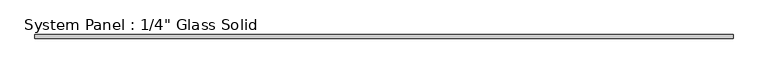
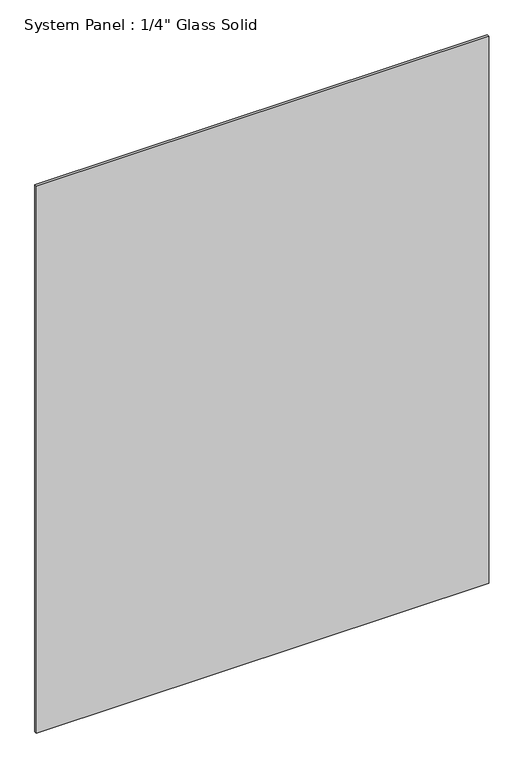
"""IFC4 building model written with IfcOpenShell, lengths in millimetres: plate geometry."""

from ifc_helpers import new_model, si_unit, origin, origin_with_axes, place, context, project, spatial, polyline, outline, extrude, source, transform, mapped, element, save


def plate_0fc9c6d2(model_context):
    return source(origin(), model_context, "Body", "SweptSolid", [
        extrude(outline(polyline([(548.6970691, -3.175), (-548.6970691, -3.175), (-548.6970691, 3.175), (548.6970691, 3.175), (548.6970691, -3.175)])), origin_with_axes(), (0.0, 0.0, 1.0), 1403.2394027),
    ])


if __name__ == "__main__":
    model = new_model("IFC4")
    model_context = context("Model", 3, world=origin())
    ifc_project = project(units=[si_unit("LENGTHUNIT", "METRE", prefix="MILLI")], contexts=[model_context])
    site = spatial("IfcSite", under=ifc_project)
    building = spatial("IfcBuilding", under=site)
    placement = place(None, origin())
    plate_shape = plate_0fc9c6d2(model_context)
    element("IfcPlate", 1, ObjectType="System Panel : 1/4\" Glass Solid", at=placement, inside=building, context=model_context, shape_type="MappedRepresentation", body=[
        mapped(plate_shape, transform((0.0, 0.0, 0.0), x_axis=(1.0, 0.0, 0.0), y_axis=(0.0, 1.0, 0.0), z_axis=(0.0, 0.0, 1.0))),
    ])
    save(model, "model.ifc")
